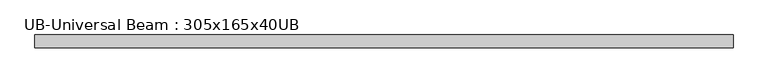
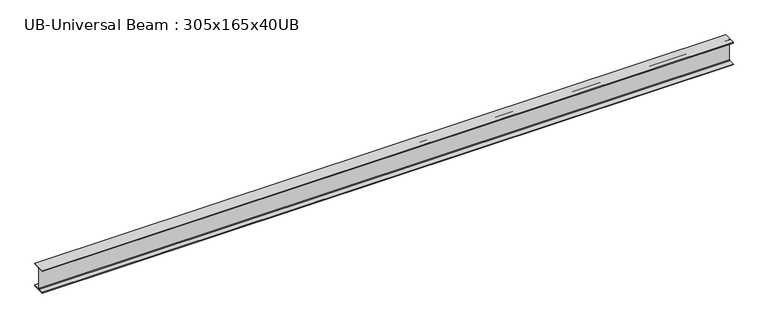
"""IFC4 building model written with IfcOpenShell, lengths in millimetres: beam geometry, UB-Universal Beam : 305x165x40UB."""

from ifc_helpers import new_model, si_unit, point, frame, frame_2d, origin, place, context, project, spatial, polyline, circle_curve, trimmed, segment, composite_curve, outline, extrude, source, transform, mapped, element, save


def ub_universal_beam_305x165x40ub_3f09ee10(model_context):
    return source(origin(), model_context, "Body", "SweptSolid", [
        extrude(outline(composite_curve([segment(polyline([(82.5, -141.5), (82.5, -151.7), (-82.5, -151.7), (-82.5, -141.5), (-11.9, -141.5)]), True, "CONTINUOUS"), segment(trimmed(circle_curve(frame_2d((-11.9, -132.6)), 8.9), [point((-11.9, -141.5))], [point((-3.0, -132.6))], True, "CARTESIAN"), True, "CONTINUOUS"), segment(polyline([(-3.0, -132.6), (-3.0, 132.6)]), True, "CONTINUOUS"), segment(trimmed(circle_curve(frame_2d((-11.9, 132.6)), 8.9), [point((-3.0, 132.6))], [point((-11.9, 141.5))], True, "CARTESIAN"), True, "CONTINUOUS"), segment(polyline([(-11.9, 141.5), (-82.5, 141.5), (-82.5, 151.7), (82.5, 151.7), (82.5, 141.5), (11.9, 141.5)]), True, "CONTINUOUS"), segment(trimmed(circle_curve(frame_2d((11.9, 132.6)), 8.9), [point((11.9, 141.5))], [point((3.0, 132.6))], True, "CARTESIAN"), True, "CONTINUOUS"), segment(polyline([(3.0, 132.6), (3.0, -132.6)]), True, "CONTINUOUS"), segment(trimmed(circle_curve(frame_2d((11.9, -132.6)), 8.9), [point((3.0, -132.6))], [point((11.9, -141.5))], True, "CARTESIAN"), True, "CONTINUOUS"), segment(polyline([(11.9, -141.5), (82.5, -141.5)]), True, "CONTINUOUS")], self_intersect=False)), frame((-4405.3, 0.0, 0.0), z_axis=(1.0, 0.0, 0.0), x_axis=(0.0, 1.0, 0.0)), (0.0, 0.0, 1.0), 8810.6),
    ])


if __name__ == "__main__":
    model = new_model("IFC4")
    model_context = context("Model", 3, world=origin())
    ifc_project = project(units=[si_unit("LENGTHUNIT", "METRE", prefix="MILLI")], contexts=[model_context])
    site = spatial("IfcSite", under=ifc_project)
    building = spatial("IfcBuilding", under=site)
    placement = place(None, origin())
    ub_universal_beam_305x165x40ub_shape = ub_universal_beam_305x165x40ub_3f09ee10(model_context)
    element("IfcBeam", 1, ObjectType="UB-Universal Beam : 305x165x40UB", at=placement, inside=building, context=model_context, shape_type="MappedRepresentation", body=[
        mapped(ub_universal_beam_305x165x40ub_shape, transform((0.0, 0.0, 0.0), x_axis=(1.0, 0.0, 0.0), y_axis=(0.0, 1.0, 0.0), z_axis=(0.0, 0.0, 1.0))),
    ])
    save(model, "model.ifc")
